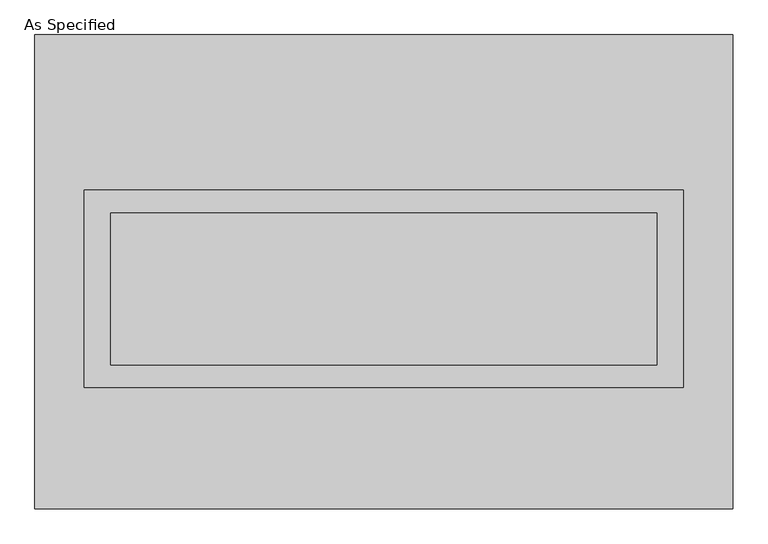
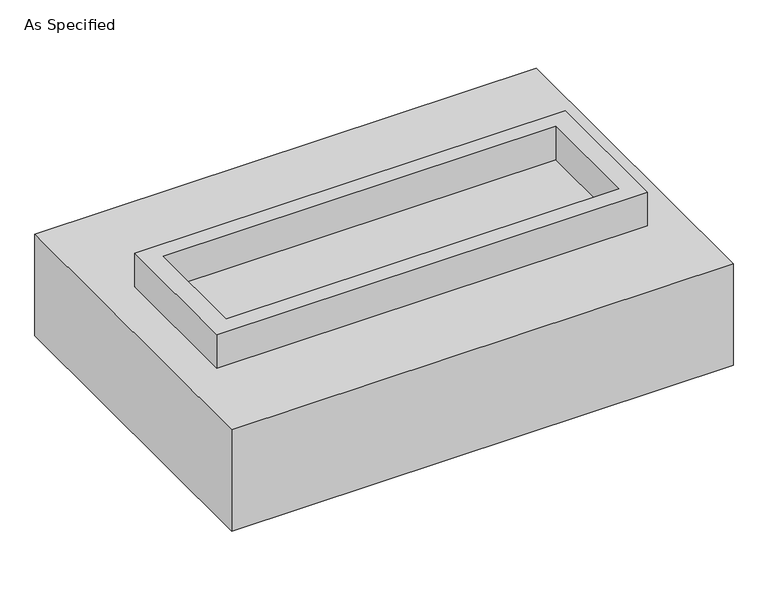
"""IFC4 building model written with IfcOpenShell, lengths in millimetres: proxy geometry, As Specified."""

from ifc_helpers import new_model, si_unit, frame, origin, place, context, project, spatial, polyline, outline, extrude, source, transform, mapped, element, save


def as_specified_5fbdc921(model_context):
    return source(origin(), model_context, "Body", "SweptSolid", [
        extrude(outline(polyline([(1003.3, 273.05), (1003.3, -387.35), (-1003.3, -387.35), (-1003.3, 273.05), (1003.3, 273.05)]), holes=[polyline([(914.4, 196.85), (-914.4, 196.85), (-914.4, -311.15), (914.4, -311.15), (914.4, 196.85)])]), frame((0.0, 0.0, -688.975), z_axis=(0.0, 0.0, 1.0), x_axis=(1.0, 0.0, 0.0)), (0.0, 0.0, 1.0), 165.1),
        extrude(outline(polyline([(1003.3, 273.05), (1003.3, -387.35), (-1003.3, -387.35), (-1003.3, 273.05), (1003.3, 273.05)]), holes=[polyline([(914.4, 196.85), (-914.4, 196.85), (-914.4, -311.15), (914.4, -311.15), (914.4, 196.85)])]), frame((0.0, 0.0, -25.4), z_axis=(0.0, 0.0, 1.0), x_axis=(1.0, 0.0, 0.0)), (0.0, 0.0, 1.0), 165.1),
        extrude(outline(polyline([(914.4, 196.85), (914.4, -311.15), (-914.4, -311.15), (-914.4, 196.85), (914.4, 196.85)])), frame((0.0, 0.0, -523.875), z_axis=(0.0, 0.0, 1.0), x_axis=(1.0, 0.0, 0.0)), (0.0, 0.0, 1.0), 4.9609375),
        extrude(outline(polyline([(914.4, 196.85), (914.4, -311.15), (-914.4, -311.15), (-914.4, 196.85), (914.4, 196.85)])), frame((0.0, 0.0, -30.3609375), z_axis=(0.0, 0.0, 1.0), x_axis=(1.0, 0.0, 0.0)), (0.0, 0.0, 1.0), 4.9609375),
        extrude(outline(polyline([(1168.4, -793.75), (-1168.4, -793.75), (-1168.4, 793.75), (1168.4, 793.75), (1168.4, -793.75)]), holes=[polyline([(-1003.3, 273.05), (-1003.3, -387.35), (1003.3, -387.35), (1003.3, 273.05), (-1003.3, 273.05)])]), frame((0.0, 0.0, -523.875), z_axis=(0.0, 0.0, 1.0), x_axis=(1.0, 0.0, 0.0)), (0.0, 0.0, 1.0), 498.475),
    ])


if __name__ == "__main__":
    model = new_model("IFC4")
    model_context = context("Model", 3, world=origin())
    ifc_project = project(units=[si_unit("LENGTHUNIT", "METRE", prefix="MILLI")], contexts=[model_context])
    site = spatial("IfcSite", under=ifc_project)
    building = spatial("IfcBuilding", under=site)
    placement = place(None, origin())
    as_specified_shape = as_specified_5fbdc921(model_context)
    element("IfcBuildingElementProxy", 1, Name="As Specified", ObjectType="As Specified", at=placement, inside=building, context=model_context, shape_type="MappedRepresentation", body=[
        mapped(as_specified_shape, transform((0.0, 0.0, 0.0), x_axis=(1.0, 0.0, 0.0), y_axis=(0.0, 1.0, 0.0), z_axis=(0.0, 0.0, 1.0))),
    ])
    save(model, "model.ifc")
